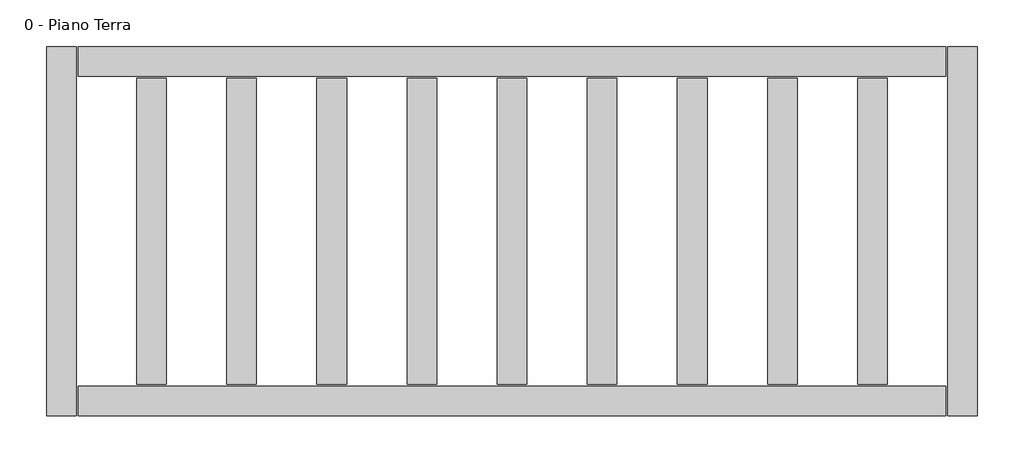
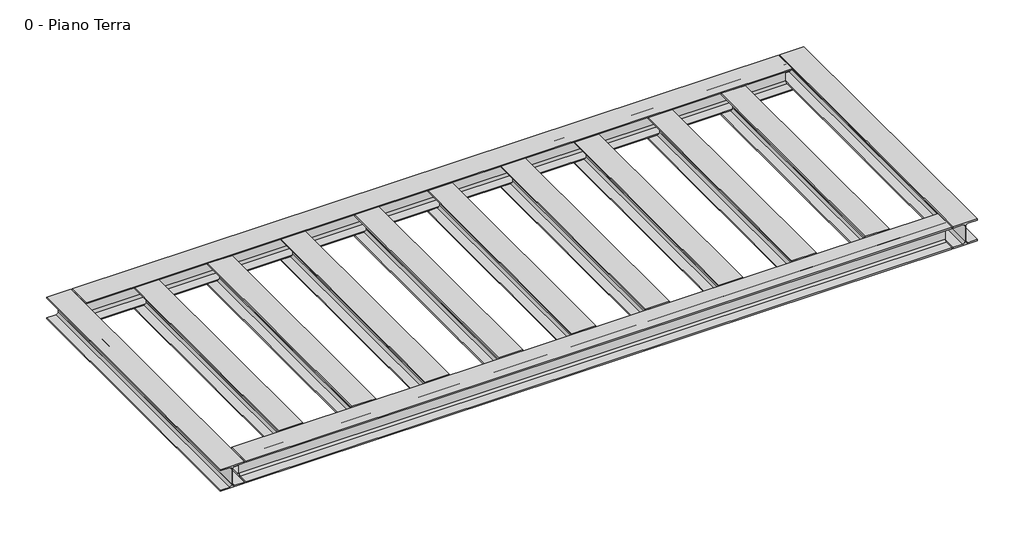
# One storey: 13 beams.
"""IFC4 building model written with IfcOpenShell, lengths in millimetres."""

import ifcopenshell
import ifcopenshell.guid

model = None  # the IFC model being written
_history = None  # IfcOwnerHistory: only IFC2X3 demands one
_inside = {}  # id of a spatial element -> (the spatial element, [elements in it])
_under = {}  # id of a project, library or spatial element -> (it, [spatial elements below it])
_declared = {}  # id of a project -> (the project, [libraries it declares])
_typed = {}  # id of a type object -> (the type object, [elements of that type])
_made_of = {}  # id of a material, layer set ... -> (it, [elements and type objects made of it])


def new_model(schema):
    """Start an empty IFC model of exactly this schema.

    Asked for "IFC4X3", IfcOpenShell would pick the latest addendum, in which some entities
    have other attributes; the version numbers below select the first issue.
    IFC2X3 requires an IfcOwnerHistory on every rooted entity: one is made here for all.
    """
    global model, _history
    if schema == "IFC4X3":
        model = ifcopenshell.file(schema_version=(4, 3, 0, 0))
    else:
        model = ifcopenshell.file(schema=schema)
    _inside.clear()
    _under.clear()
    _declared.clear()
    _typed.clear()
    _made_of.clear()
    _history = None
    if model.schema == "IFC2X3":
        org = make("IfcOrganization", Name="unknown")
        user = make(
            "IfcPersonAndOrganization",
            ThePerson=make("IfcPerson", FamilyName="unknown"),
            TheOrganization=org,
        )
        app = make(
            "IfcApplication",
            ApplicationDeveloper=org,
            Version="unknown",
            ApplicationFullName="unknown",
            ApplicationIdentifier="unknown",
        )
        _history = make(
            "IfcOwnerHistory",
            OwningUser=user,
            OwningApplication=app,
            ChangeAction="ADDED",
            CreationDate=0,
        )
    return model


def make(cls, **values):
    """One entity of the class cls with the attributes given. An attribute that is None is left unset."""
    return model.create_entity(
        cls, **{name: value for name, value in values.items() if value is not None}
    )


def rooted(cls, **values):
    """An entity with a GlobalId (a new one), such as an element, a storey or a relation."""
    return make(cls, GlobalId=ifcopenshell.guid.new(), OwnerHistory=_history, **values)


def si_unit(unit_type, name, prefix=None):
    """IfcSIUnit, for example si_unit("LENGTHUNIT", "METRE", prefix="MILLI")."""
    return make("IfcSIUnit", UnitType=unit_type, Prefix=prefix, Name=name)


def assignment(units):
    """IfcUnitAssignment: the units of a project."""
    return None if units is None else make("IfcUnitAssignment", Units=units)


def point(xyz):
    """IfcCartesianPoint."""
    return None if xyz is None else make("IfcCartesianPoint", Coordinates=xyz)


def direction(xyz):
    """IfcDirection."""
    return None if xyz is None else make("IfcDirection", DirectionRatios=xyz)


def frame(location, z_axis=None, x_axis=None):
    """IfcAxis2Placement3D, a coordinate frame: its origin and axes. An axis left out is left unset."""
    return make(
        "IfcAxis2Placement3D",
        Location=point(location),
        Axis=direction(z_axis),
        RefDirection=direction(x_axis),
    )


def frame_2d(location, x_axis=None):
    """IfcAxis2Placement2D, a coordinate frame in the plane: its origin and x axis."""
    return make(
        "IfcAxis2Placement2D", Location=point(location), RefDirection=direction(x_axis)
    )


def origin():
    """The frame at (0, 0, 0) with its axes left unset."""
    return frame((0.0, 0.0, 0.0))


def place(relative_to, where):
    """IfcLocalPlacement: puts the frame where relative to a parent placement (None: the world)."""
    return make(
        "IfcLocalPlacement", PlacementRelTo=relative_to, RelativePlacement=where
    )


def context(
    kind, dimensions, precision=None, world=None, true_north=None, identifier=None
):
    """IfcGeometricRepresentationContext, for example the 3D "Model" context."""
    return make(
        "IfcGeometricRepresentationContext",
        ContextIdentifier=identifier,
        ContextType=kind,
        CoordinateSpaceDimension=dimensions,
        Precision=precision,
        WorldCoordinateSystem=world,
        TrueNorth=true_north,
    )


def project(units=None, contexts=None):
    """IfcProject with its units and contexts."""
    return rooted(
        "IfcProject",
        Name="project",
        RepresentationContexts=contexts,
        UnitsInContext=assignment(units),
    )


def spatial(cls, under=None, at=None, **own):
    """A site, building, storey or space (cls), placed at a placement, below another one or the project."""
    s = rooted(cls, ObjectPlacement=at, **own)
    if under is not None:
        _under.setdefault(under.id(), (under, []))[1].append(s)
    return s


def polyline(points):
    """IfcPolyline through the points."""
    return make("IfcPolyline", Points=[point(p) for p in points])


def circle_curve(where, radius):
    """IfcCircle in the frame where."""
    return make("IfcCircle", Position=where, Radius=radius)


def trimmed(basis, trim1, trim2, sense, master):
    """IfcTrimmedCurve: the piece of a basis curve between two trims."""
    return make(
        "IfcTrimmedCurve",
        BasisCurve=basis,
        Trim1=trim1,
        Trim2=trim2,
        SenseAgreement=sense,
        MasterRepresentation=master,
    )


def segment(curve, same_sense, transition):
    """IfcCompositeCurveSegment."""
    return make(
        "IfcCompositeCurveSegment",
        Transition=transition,
        SameSense=same_sense,
        ParentCurve=curve,
    )


def composite_curve(segments, self_intersect=None):
    """IfcCompositeCurve: segments joined end to end."""
    return make("IfcCompositeCurve", Segments=segments, SelfIntersect=self_intersect)


def outline(outer, holes=None, kind="AREA"):
    """IfcArbitraryClosedProfileDef: a profile drawn as a closed curve; with holes, ...WithVoids."""
    if holes is None:
        return make("IfcArbitraryClosedProfileDef", ProfileType=kind, OuterCurve=outer)
    return make(
        "IfcArbitraryProfileDefWithVoids",
        ProfileType=kind,
        OuterCurve=outer,
        InnerCurves=holes,
    )


def extrude(swept, where, along, depth):
    """IfcExtrudedAreaSolid: the profile swept, set in the frame where, extruded along a direction by depth."""
    return make(
        "IfcExtrudedAreaSolid",
        SweptArea=swept,
        Position=where,
        ExtrudedDirection=direction(along),
        Depth=depth,
    )


def shape(context_of_items, identifier, shape_type, items):
    """IfcShapeRepresentation: the items that make up one representation, for example the "Body"."""
    return make(
        "IfcShapeRepresentation",
        ContextOfItems=context_of_items,
        RepresentationIdentifier=identifier,
        RepresentationType=shape_type,
        Items=items,
    )


def source(mapping_origin, context_of_items, identifier, shape_type, items):
    """IfcRepresentationMap: a shape defined once, which mapped items show again and again."""
    return make(
        "IfcRepresentationMap",
        MappingOrigin=mapping_origin,
        MappedRepresentation=shape(context_of_items, identifier, shape_type, items),
    )


def transform(
    local_origin,
    x_axis=None,
    y_axis=None,
    z_axis=None,
    scale=None,
    scale2=None,
    scale3=None,
    uniform=True,
):
    """IfcCartesianTransformationOperator3D, or its non-uniform kind. x_axis, y_axis, z_axis: its Axis1, 2, 3."""
    if uniform:
        return make(
            "IfcCartesianTransformationOperator3D",
            Axis1=direction(x_axis),
            Axis2=direction(y_axis),
            LocalOrigin=point(local_origin),
            Scale=scale,
            Axis3=direction(z_axis),
        )
    return make(
        "IfcCartesianTransformationOperator3DnonUniform",
        Axis1=direction(x_axis),
        Axis2=direction(y_axis),
        LocalOrigin=point(local_origin),
        Scale=scale,
        Axis3=direction(z_axis),
        Scale2=scale2,
        Scale3=scale3,
    )


def mapped(mapping_source, mapping_target):
    """IfcMappedItem: shows the shape of a source again, moved by a transform."""
    return make(
        "IfcMappedItem", MappingSource=mapping_source, MappingTarget=mapping_target
    )


def made_of(thing, what):
    """Note that an element or type object is made of a material, layer set ...; save() writes the relation."""
    if what is not None:
        _made_of.setdefault(what.id(), (what, []))[1].append(thing)
    return thing


def element(
    cls,
    number,
    at=None,
    inside=None,
    cuts=None,
    type_object=None,
    material=None,
    context=None,
    identifier="Body",
    shape_type=None,
    held_by="IfcProductDefinitionShape",
    body=None,
    shapes=None,
    **own,
):
    """One element of the class cls, such as IfcWall. Its Tag is "e" and its number.

    at: its placement. inside: the storey or other place that contains it. cuts: it is an
    opening in that element (IfcRelVoidsElement). A single representation is given by context,
    identifier, shape_type and body (its items); several are given by shapes. held_by: the class
    of the entity that holds the representations. save() writes the other relations.
    """
    e = rooted(cls, Tag="e%d" % number, ObjectPlacement=at, **own)
    if body is not None:
        shapes = [shape(context, identifier, shape_type, body)]
    if shapes is not None:
        e.Representation = make(held_by, Representations=shapes)
    if inside is not None:
        _inside.setdefault(inside.id(), (inside, []))[1].append(e)
    if cuts is not None:
        rooted(
            "IfcRelVoidsElement", RelatingBuildingElement=cuts, RelatedOpeningElement=e
        )
    if type_object is not None:
        _typed.setdefault(type_object.id(), (type_object, []))[1].append(e)
    return made_of(e, material)


def aggregate(whole, parts):
    """IfcRelAggregates: a whole, such as a stair, and the parts it consists of."""
    return rooted("IfcRelAggregates", RelatingObject=whole, RelatedObjects=parts)


def save(model, path):
    """Write the relations noted so far, then the file.

    IfcRelAggregates (storeys below a building ...), IfcRelContainedInSpatialStructure (elements
    in a storey), IfcRelDefinesByType, IfcRelAssociatesMaterial and IfcRelDeclares: one each for
    every whole, place, type object, material and project.
    """
    for whole, parts in _under.values():
        aggregate(whole, parts)
    for where, things in _inside.values():
        rooted(
            "IfcRelContainedInSpatialStructure",
            RelatedElements=things,
            RelatingStructure=where,
        )
    for kind, things in _typed.values():
        rooted("IfcRelDefinesByType", RelatedObjects=things, RelatingType=kind)
    for what, things in _made_of.values():
        rooted("IfcRelAssociatesMaterial", RelatedObjects=things, RelatingMaterial=what)
    for by, libraries in _declared.values():
        rooted("IfcRelDeclares", RelatingContext=by, RelatedDefinitions=libraries)
    model.write(path)


def travi_he_he200a_5ce5ea6f(model_context):
    return source(origin(), model_context, "Body", "SweptSolid", [
        extrude(outline(composite_curve([segment(polyline([(100.0, -85.0), (100.0, -95.0), (-100.0, -95.0), (-100.0, -85.0), (-21.25, -85.0)]), True, "CONTINUOUS"), segment(trimmed(circle_curve(frame_2d((-21.25, -67.0)), 18.0), [point((-21.25, -85.0))], [point((-3.25, -67.0))], True, "CARTESIAN"), True, "CONTINUOUS"), segment(polyline([(-3.25, -67.0), (-3.25, 67.0)]), True, "CONTINUOUS"), segment(trimmed(circle_curve(frame_2d((-21.25, 67.0)), 18.0), [point((-3.25, 67.0))], [point((-21.25, 85.0))], True, "CARTESIAN"), True, "CONTINUOUS"), segment(polyline([(-21.25, 85.0), (-100.0, 85.0), (-100.0, 95.0), (100.0, 95.0), (100.0, 85.0), (21.25, 85.0)]), True, "CONTINUOUS"), segment(trimmed(circle_curve(frame_2d((21.25, 67.0)), 18.0), [point((21.25, 85.0))], [point((3.25, 67.0))], True, "CARTESIAN"), True, "CONTINUOUS"), segment(polyline([(3.25, 67.0), (3.25, -67.0)]), True, "CONTINUOUS"), segment(trimmed(circle_curve(frame_2d((21.25, -67.0)), 18.0), [point((3.25, -67.0))], [point((21.25, -85.0))], True, "CARTESIAN"), True, "CONTINUOUS"), segment(polyline([(21.25, -85.0), (100.0, -85.0)]), True, "CONTINUOUS")], self_intersect=False)), frame((-1037.0, 0.0, 0.0), z_axis=(1.0, 0.0, 0.0), x_axis=(0.0, 1.0, 0.0)), (0.0, 0.0, 1.0), 2074.0),
    ])


def travi_he_he200a_e0025ef2(model_context):
    return source(origin(), model_context, "Body", "SweptSolid", [
        extrude(outline(composite_curve([segment(polyline([(100.0, -85.0), (100.0, -95.0), (-100.0, -95.0), (-100.0, -85.0), (-21.25, -85.0)]), True, "CONTINUOUS"), segment(trimmed(circle_curve(frame_2d((-21.25, -67.0)), 18.0), [point((-21.25, -85.0))], [point((-3.25, -67.0))], True, "CARTESIAN"), True, "CONTINUOUS"), segment(polyline([(-3.25, -67.0), (-3.25, 67.0)]), True, "CONTINUOUS"), segment(trimmed(circle_curve(frame_2d((-21.25, 67.0)), 18.0), [point((-3.25, 67.0))], [point((-21.25, 85.0))], True, "CARTESIAN"), True, "CONTINUOUS"), segment(polyline([(-21.25, 85.0), (-100.0, 85.0), (-100.0, 95.0), (100.0, 95.0), (100.0, 85.0), (21.25, 85.0)]), True, "CONTINUOUS"), segment(trimmed(circle_curve(frame_2d((21.25, 67.0)), 18.0), [point((21.25, 85.0))], [point((3.25, 67.0))], True, "CARTESIAN"), True, "CONTINUOUS"), segment(polyline([(3.25, 67.0), (3.25, -67.0)]), True, "CONTINUOUS"), segment(trimmed(circle_curve(frame_2d((21.25, -67.0)), 18.0), [point((3.25, -67.0))], [point((21.25, -85.0))], True, "CARTESIAN"), True, "CONTINUOUS"), segment(polyline([(21.25, -85.0), (100.0, -85.0)]), True, "CONTINUOUS")], self_intersect=False)), frame((-1250.0, 0.0, 0.0), z_axis=(1.0, 0.0, 0.0), x_axis=(0.0, 1.0, 0.0)), (0.0, 0.0, 1.0), 2500.0),
    ])


def travi_he_he200a_ad323c8a(model_context):
    return source(origin(), model_context, "Body", "SweptSolid", [
        extrude(outline(composite_curve([segment(polyline([(100.0, -85.0), (100.0, -95.0), (-100.0, -95.0), (-100.0, -85.0), (-21.25, -85.0)]), True, "CONTINUOUS"), segment(trimmed(circle_curve(frame_2d((-21.25, -67.0)), 18.0), [point((-21.25, -85.0))], [point((-3.25, -67.0))], True, "CARTESIAN"), True, "CONTINUOUS"), segment(polyline([(-3.25, -67.0), (-3.25, 67.0)]), True, "CONTINUOUS"), segment(trimmed(circle_curve(frame_2d((-21.25, 67.0)), 18.0), [point((-3.25, 67.0))], [point((-21.25, 85.0))], True, "CARTESIAN"), True, "CONTINUOUS"), segment(polyline([(-21.25, 85.0), (-100.0, 85.0), (-100.0, 95.0), (100.0, 95.0), (100.0, 85.0), (21.25, 85.0)]), True, "CONTINUOUS"), segment(trimmed(circle_curve(frame_2d((21.25, 67.0)), 18.0), [point((21.25, 85.0))], [point((3.25, 67.0))], True, "CARTESIAN"), True, "CONTINUOUS"), segment(polyline([(3.25, 67.0), (3.25, -67.0)]), True, "CONTINUOUS"), segment(trimmed(circle_curve(frame_2d((21.25, -67.0)), 18.0), [point((3.25, -67.0))], [point((21.25, -85.0))], True, "CARTESIAN"), True, "CONTINUOUS"), segment(polyline([(21.25, -85.0), (100.0, -85.0)]), True, "CONTINUOUS")], self_intersect=False)), frame((-2937.0, 0.0, 0.0), z_axis=(1.0, 0.0, 0.0), x_axis=(0.0, 1.0, 0.0)), (0.0, 0.0, 1.0), 5874.0),
    ])


model = new_model("IFC4")

# Units and contexts
model_context = context("Model", 3, world=origin())
ifc_project = project(units=[si_unit("LENGTHUNIT", "METRE", prefix="MILLI")], contexts=[model_context])

# Site, building, storey
site = spatial("IfcSite", under=ifc_project)
building = spatial("IfcBuilding", under=site)
storey = spatial("IfcBuildingStorey", under=building, Name="0 - Piano Terra", Elevation=0.0)

# Beams
placement = place(None, origin())
travi_he_he200a_shape = travi_he_he200a_5ce5ea6f(model_context)
element("IfcBeam", 1, ObjectType="Travi HE : HE200A", at=placement, inside=storey, context=model_context, shape_type="MappedRepresentation", body=[
    mapped(travi_he_he200a_shape, transform((-10371.1559659, -3848.6404727, -95.0), x_axis=(0.0, -1.0, 0.0), y_axis=(1.0, 0.0, 0.0), z_axis=(0.0, 0.0, 1.0))),
])
element("IfcBeam", 2, ObjectType="Travi HE : HE200A", at=placement, inside=storey, context=model_context, shape_type="MappedRepresentation", body=[
    mapped(travi_he_he200a_shape, transform((-9761.1559659, -3848.6404727, -95.0), x_axis=(0.0, -1.0, 0.0), y_axis=(1.0, 0.0, 0.0), z_axis=(0.0, 0.0, 1.0))),
])
element("IfcBeam", 3, ObjectType="Travi HE : HE200A", at=placement, inside=storey, context=model_context, shape_type="MappedRepresentation", body=[
    mapped(travi_he_he200a_shape, transform((-9151.1559659, -3848.6404727, -95.0), x_axis=(0.0, -1.0, 0.0), y_axis=(1.0, 0.0, 0.0), z_axis=(0.0, 0.0, 1.0))),
])
element("IfcBeam", 4, ObjectType="Travi HE : HE200A", at=placement, inside=storey, context=model_context, shape_type="MappedRepresentation", body=[
    mapped(travi_he_he200a_shape, transform((-8541.1559659, -3848.6404727, -95.0), x_axis=(0.0, -1.0, 0.0), y_axis=(1.0, 0.0, 0.0), z_axis=(0.0, 0.0, 1.0))),
])
element("IfcBeam", 5, ObjectType="Travi HE : HE200A", at=placement, inside=storey, context=model_context, shape_type="MappedRepresentation", body=[
    mapped(travi_he_he200a_shape, transform((-7931.1559659, -3848.6404727, -95.0), x_axis=(0.0, -1.0, 0.0), y_axis=(1.0, 0.0, 0.0), z_axis=(0.0, 0.0, 1.0))),
])
element("IfcBeam", 6, ObjectType="Travi HE : HE200A", at=placement, inside=storey, context=model_context, shape_type="MappedRepresentation", body=[
    mapped(travi_he_he200a_shape, transform((-7321.1559659, -3848.6404727, -95.0), x_axis=(0.0, -1.0, 0.0), y_axis=(1.0, 0.0, 0.0), z_axis=(0.0, 0.0, 1.0))),
])
element("IfcBeam", 7, ObjectType="Travi HE : HE200A", at=placement, inside=storey, context=model_context, shape_type="MappedRepresentation", body=[
    mapped(travi_he_he200a_shape, transform((-6711.1559659, -3848.6404727, -95.0), x_axis=(0.0, -1.0, 0.0), y_axis=(1.0, 0.0, 0.0), z_axis=(0.0, 0.0, 1.0))),
])
element("IfcBeam", 8, ObjectType="Travi HE : HE200A", at=placement, inside=storey, context=model_context, shape_type="MappedRepresentation", body=[
    mapped(travi_he_he200a_shape, transform((-6101.1559659, -3848.6404727, -95.0), x_axis=(0.0, -1.0, 0.0), y_axis=(1.0, 0.0, 0.0), z_axis=(0.0, 0.0, 1.0))),
])
element("IfcBeam", 9, ObjectType="Travi HE : HE200A", at=placement, inside=storey, context=model_context, shape_type="MappedRepresentation", body=[
    mapped(travi_he_he200a_shape, transform((-5491.1559659, -3848.6404727, -95.0), x_axis=(0.0, -1.0, 0.0), y_axis=(1.0, 0.0, 0.0), z_axis=(0.0, 0.0, 1.0))),
])
travi_he_he200a_2_shape = travi_he_he200a_e0025ef2(model_context)
element("IfcBeam", 10, ObjectType="Travi HE : HE200A", at=placement, inside=storey, context=model_context, shape_type="MappedRepresentation", body=[
    mapped(travi_he_he200a_2_shape, transform((-10981.1559659, -3848.6404727, -95.0), x_axis=(0.0, -1.0, 0.0), y_axis=(1.0, 0.0, 0.0), z_axis=(0.0, 0.0, 1.0))),
])
element("IfcBeam", 11, ObjectType="Travi HE : HE200A", at=placement, inside=storey, context=model_context, shape_type="MappedRepresentation", body=[
    mapped(travi_he_he200a_2_shape, transform((-4881.1559659, -3848.6404727, -95.0), x_axis=(0.0, -1.0, 0.0), y_axis=(1.0, 0.0, 0.0), z_axis=(0.0, 0.0, 1.0))),
])
travi_he_he200a_3_shape = travi_he_he200a_ad323c8a(model_context)
element("IfcBeam", 12, ObjectType="Travi HE : HE200A", at=placement, inside=storey, context=model_context, shape_type="MappedRepresentation", body=[
    mapped(travi_he_he200a_3_shape, transform((-7931.1559659, -2698.6404727, -95.0), x_axis=(1.0, 0.0, 0.0), y_axis=(0.0, 1.0, 0.0), z_axis=(0.0, 0.0, 1.0))),
])
element("IfcBeam", 13, ObjectType="Travi HE : HE200A", at=placement, inside=storey, context=model_context, shape_type="MappedRepresentation", body=[
    mapped(travi_he_he200a_3_shape, transform((-7931.1559659, -4998.6404727, -95.0), x_axis=(-1.0, 0.0, 0.0), y_axis=(0.0, -1.0, 0.0), z_axis=(0.0, 0.0, 1.0))),
])

save(model, "model.ifc")
